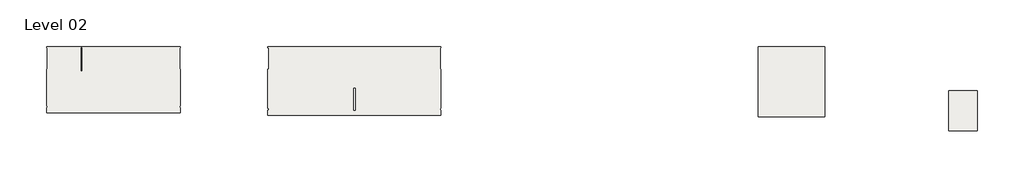
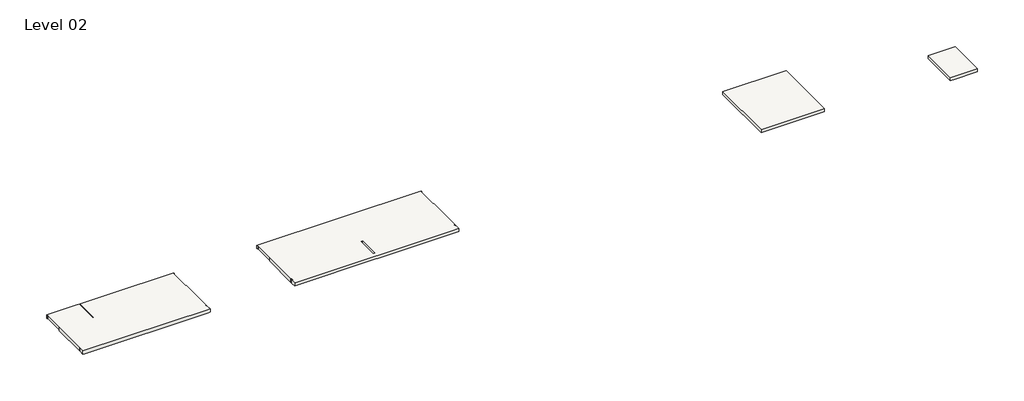
# One storey, part 2 of 2: 4 slabs.
"""IFC4 building model written with IfcOpenShell, lengths in millimetres."""

from ifc_helpers import new_model, si_unit, origin, place, context, project, spatial, faceted_brep, element, save

model = new_model("IFC4")

# Units and contexts
model_context = context("Model", 3, world=origin())
ifc_project = project(units=[si_unit("LENGTHUNIT", "METRE", prefix="MILLI")], contexts=[model_context])

# Site, building, storey
site = spatial("IfcSite", under=ifc_project)
building = spatial("IfcBuilding", under=site)
storey = spatial("IfcBuildingStorey", under=building, Name="Level 02", Elevation=3860.8)

# Slabs
placement = place(None, origin())
element("IfcSlab", 1, ObjectType="Generic - 24\"", at=placement, inside=storey, context=model_context, shape_type="Brep", body=[
    faceted_brep([(63206.1659893, 32996.5629511, 3515.8), (63022.711899, 32996.5629511, 3515.8), (54757.1964174, 32996.5629511, 3515.8), (54496.8991145, 32996.5629511, 3515.8), (46231.3836329, 32996.5629511, 3515.8), (46047.9295425, 32996.5629511, 3515.8), (46047.9295425, 33479.5629511, 3515.8), (46123.4336329, 33479.5629511, 3515.8), (46123.4336329, 33657.9629511, 3515.8), (46047.9295425, 33657.9629511, 3515.8), (46047.9295425, 37529.0254511, 3515.8), (46124.1295425, 37529.0254511, 3515.8), (46124.1295425, 39694.3754512, 3515.8), (46047.9295425, 39694.3754512, 3515.8), (46047.9295425, 39802.3254512, 3515.8), (63206.1659893, 39802.3254512, 3515.8), (63206.1659893, 39694.3754512, 3515.8), (63129.9659893, 39694.3754512, 3515.8), (63129.9659893, 37529.0254511, 3515.8), (63206.1659893, 37529.0254511, 3515.8), (63206.1659893, 33657.9629511, 3515.8), (63130.661899, 33657.9629511, 3515.8), (63130.661899, 33479.5629511, 3515.8), (63206.1659893, 33479.5629511, 3515.8), (54550.8741145, 35656.0254517, 3515.8), (54550.8741145, 33479.5629511, 3515.8), (54703.2214174, 33479.5629511, 3515.8), (54703.2214174, 35656.0254517, 3515.8), (63206.1659893, 32996.5629511, 3860.8), (63206.1659893, 33479.5629511, 3860.8), (63130.661899, 33479.5629511, 3860.8), (63130.661899, 33657.9629511, 3860.8), (63206.1659893, 33657.9629511, 3860.8), (63206.1659893, 37529.0254511, 3860.8), (63129.9659893, 37529.0254511, 3860.8), (63129.9659893, 39694.3754512, 3860.8), (63206.1659893, 39694.3754512, 3860.8), (63206.1659893, 39802.3254512, 3860.8), (46047.9295425, 39802.3254512, 3860.8), (46047.9295425, 39694.3754512, 3860.8), (46124.1295425, 39694.3754512, 3860.8), (46124.1295425, 37529.0254511, 3860.8), (46047.9295425, 37529.0254511, 3860.8), (46047.9295425, 33657.9629511, 3860.8), (46123.4336329, 33657.9629511, 3860.8), (46123.4336329, 33479.5629511, 3860.8), (46047.9295425, 33479.5629511, 3860.8), (46047.9295425, 32996.5629511, 3860.8), (54550.8741145, 35656.0254517, 3860.8), (54703.2214174, 35656.0254517, 3860.8), (54703.2214174, 33479.5629511, 3860.8), (54550.8741145, 33479.5629511, 3860.8), (63206.1659893, 32996.5629511, 3860.0), (46047.9295425, 32996.5629511, 3860.0)], [[[0, 1, 2, 3, 4, 5, 6, 7, 8, 9, 10, 11, 12, 13, 14, 15, 16, 17, 18, 19, 20, 21, 22, 23], [24, 25, 26, 27]], [[28, 29, 30, 31, 32, 33, 34, 35, 36, 37, 38, 39, 40, 41, 42, 43, 44, 45, 46, 47], [48, 49, 50, 51]], [[5, 4, 3, 2, 1, 0, 52, 28, 47, 53]], [[6, 5, 53, 47, 46]], [[7, 6, 46, 45]], [[8, 7, 45, 44]], [[9, 8, 44, 43]], [[10, 9, 43, 42]], [[11, 10, 42, 41]], [[12, 11, 41, 40]], [[13, 12, 40, 39]], [[14, 13, 39, 38]], [[15, 14, 38, 37]], [[16, 15, 37, 36]], [[17, 16, 36, 35]], [[18, 17, 35, 34]], [[19, 18, 34, 33]], [[20, 19, 33, 32]], [[21, 20, 32, 31]], [[22, 21, 31, 30]], [[23, 22, 30, 29]], [[0, 23, 29, 28, 52]], [[25, 24, 48, 51]], [[26, 25, 51, 50]], [[27, 26, 50, 49]], [[24, 27, 49, 48]]]),
])
element("IfcSlab", 2, ObjectType="Generic - 24\"", at=placement, inside=storey, context=model_context, shape_type="Brep", body=[
    faceted_brep([(113641.71908, 35424.3893546, 3515.8), (114000.71908, 35424.3893546, 3515.8), (116475.1950851, 35424.3893546, 3515.8), (116475.1950851, 31419.2754512, 3515.8), (114000.71908, 31419.2754512, 3515.8), (113641.71908, 31419.2754512, 3515.8), (113641.71908, 35424.3893546, 3860.8), (113641.71908, 31419.2754512, 3860.8), (116475.1950851, 31419.2754512, 3860.8), (116475.1950851, 35424.3893546, 3860.8), (113641.71908, 35424.3893546, 3860.0), (113641.71908, 31419.2754512, 3860.0)], [[[0, 1, 2, 3, 4, 5]], [[6, 7, 8, 9]], [[2, 1, 0, 10, 6, 9]], [[3, 2, 9, 8]], [[5, 4, 3, 8, 7, 11]], [[0, 5, 11, 7, 6, 10]]]),
])
element("IfcSlab", 3, ObjectType="Generic - 24\"", at=placement, inside=storey, context=model_context, shape_type="Brep", body=[
    faceted_brep([(94696.3980505, 32849.9601495, 3522.2), (94696.3980505, 39287.3254512, 3522.2), (94696.3980505, 39796.3254512, 3522.2), (101320.2730505, 39796.3254512, 3522.2), (101320.2730505, 39287.3254512, 3522.2), (101320.2730505, 32849.9601495, 3522.2), (94696.3980505, 32849.9601495, 3867.2), (101320.2730505, 32849.9601495, 3867.2), (101320.2730505, 39796.3254512, 3867.2), (94696.3980505, 39796.3254512, 3867.2), (94696.3980505, 39796.3254512, 3860.0), (101320.2730505, 39796.3254512, 3860.0)], [[[0, 1, 2, 3, 4, 5]], [[6, 7, 8, 9]], [[2, 1, 0, 6, 9, 10]], [[3, 2, 10, 9, 8, 11]], [[5, 4, 3, 11, 8, 7]], [[0, 5, 7, 6]]]),
])
element("IfcSlab", 4, ObjectType="Generic - 24\"", at=placement, inside=storey, context=model_context, shape_type="Brep", body=[
    faceted_brep([(37362.752176, 33241.5129511, 3515.8), (37179.2980856, 33241.5129511, 3515.8), (24250.6877232, 33241.5129511, 3515.8), (24067.2336329, 33241.5129511, 3515.8), (24067.2336329, 33724.5129511, 3515.8), (24142.7377232, 33724.5129511, 3515.8), (24142.7377232, 33902.9129511, 3515.8), (24067.2336329, 33902.9129511, 3515.8), (24067.2336329, 37529.0254511, 3515.8), (24143.4336329, 37529.0254511, 3515.8), (24143.4336329, 39694.3754512, 3515.8), (24067.2336329, 39694.3754512, 3515.8), (24067.2336329, 39802.3254512, 3515.8), (37362.752176, 39802.3254512, 3515.8), (37362.752176, 39694.3754512, 3515.8), (37286.552176, 39694.3754512, 3515.8), (37286.552176, 37529.0254511, 3515.8), (37362.752176, 37529.0254511, 3515.8), (37362.752176, 33902.9129511, 3515.8), (37287.2480856, 33902.9129511, 3515.8), (37287.2480856, 33724.5129511, 3515.8), (37362.752176, 33724.5129511, 3515.8), (27507.4461329, 39694.3754512, 3515.8), (27507.4461329, 37406.7879512, 3515.8), (27551.8961329, 37406.7879512, 3515.8), (27551.8961329, 39694.3754512, 3515.8), (37362.752176, 33241.5129511, 3860.8), (37362.752176, 33724.5129511, 3860.8), (37287.2480856, 33724.5129511, 3860.8), (37287.2480856, 33902.9129511, 3860.8), (37362.752176, 33902.9129511, 3860.8), (37362.752176, 37529.0254511, 3860.8), (37286.552176, 37529.0254511, 3860.8), (37286.552176, 39694.3754512, 3860.8), (37362.752176, 39694.3754512, 3860.8), (37362.752176, 39802.3254512, 3860.8), (24067.2336329, 39802.3254512, 3860.8), (24067.2336329, 39694.3754512, 3860.8), (24143.4336329, 39694.3754512, 3860.8), (24143.4336329, 37529.0254511, 3860.8), (24067.2336329, 37529.0254511, 3860.8), (24067.2336329, 33902.9129511, 3860.8), (24142.7377232, 33902.9129511, 3860.8), (24142.7377232, 33724.5129511, 3860.8), (24067.2336329, 33724.5129511, 3860.8), (24067.2336329, 33241.5129511, 3860.8), (27507.4461329, 39694.3754512, 3860.8), (27551.8961329, 39694.3754512, 3860.8), (27551.8961329, 37406.7879512, 3860.8), (27507.4461329, 37406.7879512, 3860.8), (37362.752176, 33241.5129511, 3860.0), (24067.2336329, 33241.5129511, 3860.0)], [[[0, 1, 2, 3, 4, 5, 6, 7, 8, 9, 10, 11, 12, 13, 14, 15, 16, 17, 18, 19, 20, 21], [22, 23, 24, 25]], [[26, 27, 28, 29, 30, 31, 32, 33, 34, 35, 36, 37, 38, 39, 40, 41, 42, 43, 44, 45], [46, 47, 48, 49]], [[3, 2, 1, 0, 50, 26, 45, 51]], [[4, 3, 51, 45, 44]], [[5, 4, 44, 43]], [[6, 5, 43, 42]], [[7, 6, 42, 41]], [[8, 7, 41, 40]], [[9, 8, 40, 39]], [[10, 9, 39, 38]], [[11, 10, 38, 37]], [[12, 11, 37, 36]], [[13, 12, 36, 35]], [[14, 13, 35, 34]], [[15, 14, 34, 33]], [[16, 15, 33, 32]], [[17, 16, 32, 31]], [[18, 17, 31, 30]], [[19, 18, 30, 29]], [[20, 19, 29, 28]], [[21, 20, 28, 27]], [[0, 21, 27, 26, 50]], [[23, 22, 46, 49]], [[24, 23, 49, 48]], [[25, 24, 48, 47]], [[22, 25, 47, 46]]]),
])

save(model, "model.ifc")
